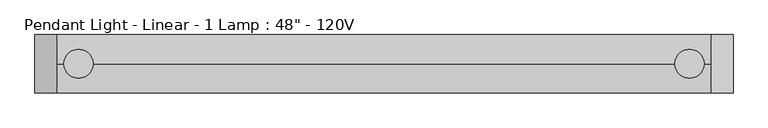
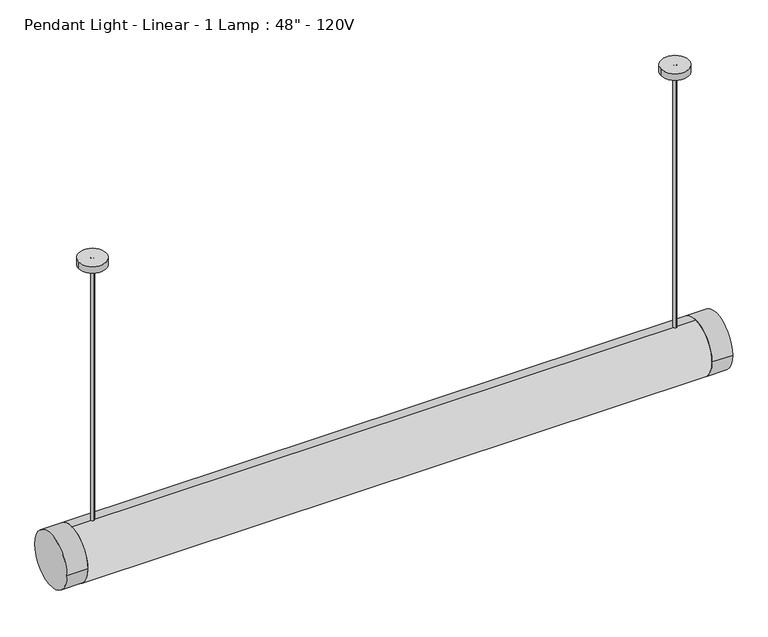
"""IFC4 building model written with IfcOpenShell, lengths in millimetres: light fixture geometry."""

from ifc_helpers import new_model, si_unit, point, frame, frame_2d, origin, place, context, project, spatial, polyline, circle_curve, trimmed, segment, composite_curve, outline, extrude, source, transform, mapped, element, save


def light_fixture_7cb1190b(model_context):
    return source(origin(), model_context, "Body", "SweptSolid", [
        extrude(outline(polyline([(571.7084676, 25.4), (571.7084676, -25.4), (-571.5, -25.4), (-571.5, 25.4), (571.7084676, 25.4)])), frame((0.0, 0.0, 1841.5), z_axis=(0.0, 0.0, 1.0), x_axis=(1.0, 0.0, 0.0)), (0.0, 0.0, 1.0), 12.7),
        extrude(outline(composite_curve([segment(trimmed(circle_curve(frame_2d((0.0, 1879.6)), 50.8), [point((-50.8, 1879.6))], [point((50.8, 1879.6))], False, "CARTESIAN"), True, "CONTINUOUS"), segment(trimmed(circle_curve(frame_2d((0.0, 1879.6)), 50.8), [point((50.8, 1879.6))], [point((-50.8, 1879.6))], False, "CARTESIAN"), True, "CONTINUOUS")], self_intersect=False)), frame((571.7084676, 0.0, 0.0), z_axis=(1.0, 0.0, 0.0), x_axis=(0.0, 1.0, 0.0)), (0.0, 0.0, 1.0), 37.8915324),
        extrude(outline(composite_curve([segment(trimmed(circle_curve(frame_2d((0.0, 1879.6)), 50.81227), [point((50.81227, 1879.6))], [point((-50.81227, 1879.6))], False, "CARTESIAN"), True, "CONTINUOUS"), segment(trimmed(circle_curve(frame_2d((0.0, 1879.6)), 50.81227), [point((-50.81227, 1879.6))], [point((50.81227, 1879.6))], False, "CARTESIAN"), True, "CONTINUOUS")], self_intersect=False)), frame((-609.6, 0.0, 0.0), z_axis=(1.0, 0.0, 0.0), x_axis=(0.0, 1.0, 0.0)), (0.0, 0.0, 1.0), 38.1),
        extrude(outline(composite_curve([segment(trimmed(circle_curve(frame_2d((0.0, 1879.6)), 50.8), [point((-25.4, 1835.6059095))], [point((0.0, 1930.4))], False, "CARTESIAN"), True, "CONTINUOUS"), segment(trimmed(circle_curve(frame_2d((0.0, 1879.6)), 50.8), [point((0.0, 1930.4))], [point((25.4, 1835.6059095))], False, "CARTESIAN"), True, "CONTINUOUS"), segment(polyline([(25.4, 1835.6059095), (25.4, 1866.9), (-25.4, 1866.9), (-25.4, 1835.6059095)]), True, "CONTINUOUS")], self_intersect=False)), frame((-571.5, 0.0, 0.0), z_axis=(1.0, 0.0, 0.0), x_axis=(0.0, 1.0, 0.0)), (0.0, 0.0, 1.0), 1143.2084676),
        extrude(outline(composite_curve([segment(trimmed(circle_curve(frame_2d((-533.4883785, 0.0)), 25.4), [point((-558.8883785, 0.0))], [point((-508.0883785, 0.0))], False, "CARTESIAN"), True, "CONTINUOUS"), segment(trimmed(circle_curve(frame_2d((-533.4883785, 0.0)), 25.4), [point((-508.0883785, 0.0))], [point((-558.8883785, 0.0))], False, "CARTESIAN"), True, "CONTINUOUS")], self_intersect=False)), frame((0.0, 0.0, 2425.7), z_axis=(0.0, 0.0, 1.0), x_axis=(1.0, 0.0, 0.0)), (0.0, 0.0, 1.0), 12.7),
        extrude(outline(composite_curve([segment(trimmed(circle_curve(frame_2d((533.4, 0.0)), 25.4), [point((508.0, 0.0))], [point((558.8, 0.0))], False, "CARTESIAN"), True, "CONTINUOUS"), segment(trimmed(circle_curve(frame_2d((533.4, 0.0)), 25.4), [point((558.8, 0.0))], [point((508.0, 0.0))], False, "CARTESIAN"), True, "CONTINUOUS")], self_intersect=False)), frame((0.0, 0.0, 2425.7), z_axis=(0.0, 0.0, 1.0), x_axis=(1.0, 0.0, 0.0)), (0.0, 0.0, 1.0), 12.7),
        extrude(outline(composite_curve([segment(trimmed(circle_curve(frame_2d((-533.4, 0.0)), 3.175), [point((-533.4, 3.175))], [point((-533.4, -3.175))], False, "CARTESIAN"), True, "CONTINUOUS"), segment(trimmed(circle_curve(frame_2d((-533.4, 0.0)), 3.175), [point((-533.4, -3.175))], [point((-533.4, 3.175))], False, "CARTESIAN"), True, "CONTINUOUS")], self_intersect=False)), frame((0.0, 0.0, 1917.7), z_axis=(0.0, 0.0, 1.0), x_axis=(1.0, 0.0, 0.0)), (0.0, 0.0, 1.0), 520.7),
        extrude(outline(composite_curve([segment(trimmed(circle_curve(frame_2d((533.4, 0.0)), 3.175), [point((533.4, 3.175))], [point((533.4, -3.175))], False, "CARTESIAN"), True, "CONTINUOUS"), segment(trimmed(circle_curve(frame_2d((533.4, 0.0)), 3.175), [point((533.4, -3.175))], [point((533.4, 3.175))], False, "CARTESIAN"), True, "CONTINUOUS")], self_intersect=False)), frame((0.0, 0.0, 1917.7), z_axis=(0.0, 0.0, 1.0), x_axis=(1.0, 0.0, 0.0)), (0.0, 0.0, 1.0), 520.7),
    ])


if __name__ == "__main__":
    model = new_model("IFC4")
    model_context = context("Model", 3, world=origin())
    ifc_project = project(units=[si_unit("LENGTHUNIT", "METRE", prefix="MILLI")], contexts=[model_context])
    site = spatial("IfcSite", under=ifc_project)
    building = spatial("IfcBuilding", under=site)
    placement = place(None, origin())
    light_fixture_shape = light_fixture_7cb1190b(model_context)
    element("IfcLightFixture", 1, ObjectType="Pendant Light - Linear - 1 Lamp : 48\" - 120V", at=placement, inside=building, context=model_context, shape_type="MappedRepresentation", body=[
        mapped(light_fixture_shape, transform((0.0, 0.0, 0.0), x_axis=(1.0, 0.0, 0.0), y_axis=(0.0, 1.0, 0.0), z_axis=(0.0, 0.0, 1.0))),
    ])
    save(model, "model.ifc")
